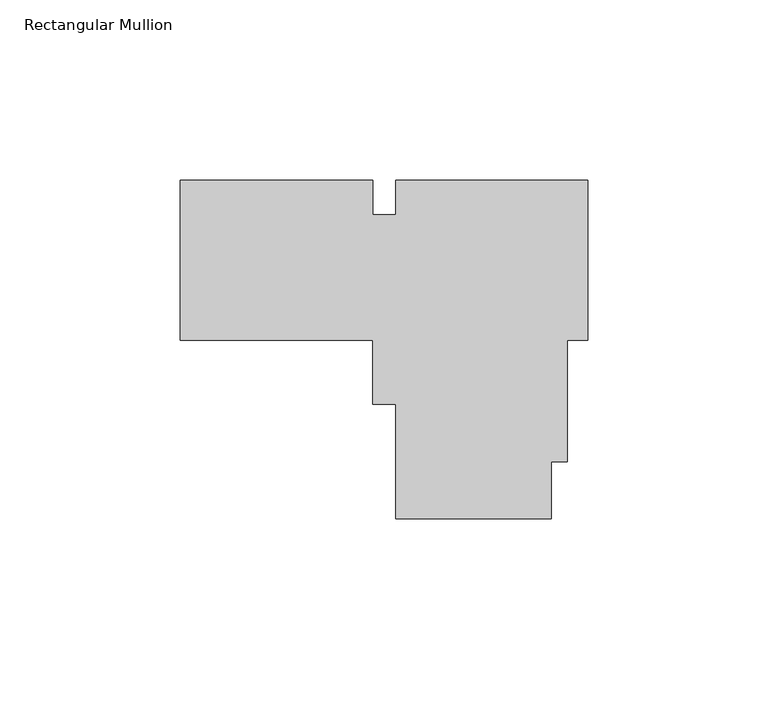
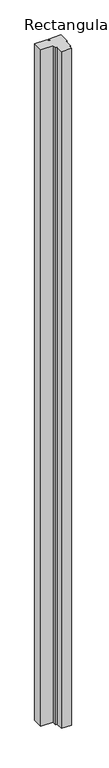
"""IFC4 building model written with IfcOpenShell, lengths in millimetres: member geometry, Rectangular Mullion."""

from ifc_helpers import new_model, si_unit, frame, origin, place, context, project, spatial, polyline, outline, extrude, source, transform, mapped, element, save


def rectangular_mullion_2bdf99dd(model_context):
    return source(origin(), model_context, "Body", "SweptSolid", [
        extrude(outline(polyline([(-113.07699, -4.064), (-113.07699, 40.386), (-59.7074454, 40.386), (-59.7074454, 30.861), (-53.267207, 30.861), (-53.267207, 40.386), (0.0, 40.386), (0.0, -4.064), (-5.6561238, -4.064), (-5.6561238, -37.6682), (-10.1074103, -37.6682), (-10.1074103, -53.5432), (-53.2811238, -53.5432), (-53.2811238, -21.7932), (-59.7250993, -21.7932), (-59.7250993, -4.064), (-113.07699, -4.064)])), frame((0.0, 0.0, -3048.0), z_axis=(0.0, 0.0, 1.0), x_axis=(1.0, 0.0, 0.0)), (0.0, 0.0, 1.0), 3048.0),
    ])


if __name__ == "__main__":
    model = new_model("IFC4")
    model_context = context("Model", 3, world=origin())
    ifc_project = project(units=[si_unit("LENGTHUNIT", "METRE", prefix="MILLI")], contexts=[model_context])
    site = spatial("IfcSite", under=ifc_project)
    building = spatial("IfcBuilding", under=site)
    placement = place(None, origin())
    rectangular_mullion_shape = rectangular_mullion_2bdf99dd(model_context)
    element("IfcMember", 1, ObjectType="Rectangular Mullion", at=placement, inside=building, context=model_context, shape_type="MappedRepresentation", body=[
        mapped(rectangular_mullion_shape, transform((0.0, 0.0, 0.0), x_axis=(1.0, 0.0, 0.0), y_axis=(0.0, 1.0, 0.0), z_axis=(0.0, 0.0, 1.0))),
    ])
    save(model, "model.ifc")
